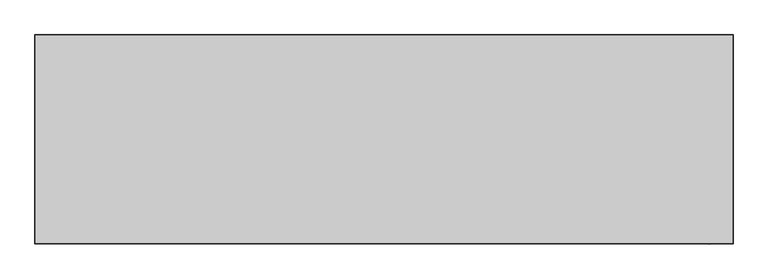
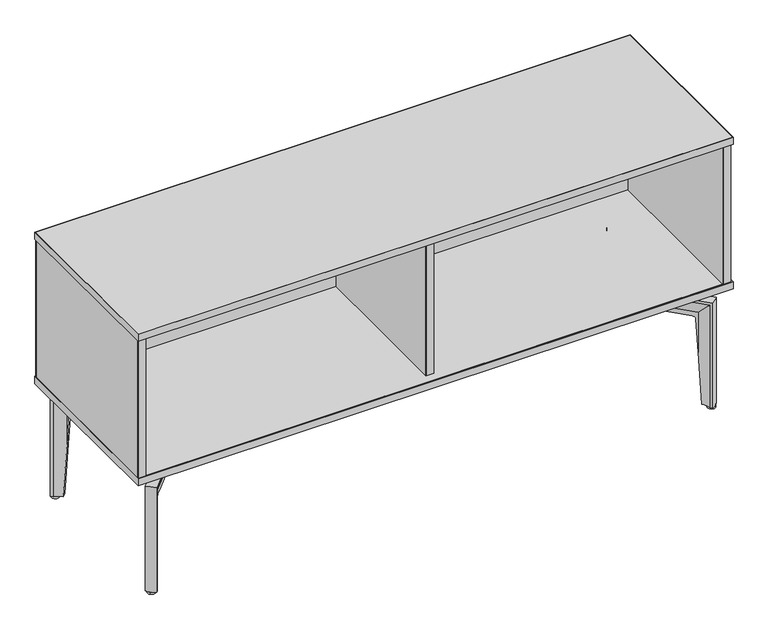
"""IFC4 building model written with IfcOpenShell, lengths in millimetres: furniture geometry."""

from ifc_helpers import new_model, si_unit, point, frame, frame_2d, origin, origin_with_axes, place, context, project, spatial, polyline, circle_curve, ellipse_curve, trimmed, segment, composite_curve, outline, extrude, source, transform, mapped, element, save
from ifc_brep_helpers import plane_surface, cylinder_surface, revolved_surface, advanced_brep


def furniture_c46c59dd(model_context):
    return source(origin(), model_context, "Body", "SolidModel", [
        extrude(outline(polyline([(330.3398292, -9.144), (481.1080955, -9.144), (548.5342876, -741.2998679), (330.3398292, -741.2998679), (330.3398292, -9.144)])), frame((0.0, 196.2456986, 0.0), z_axis=(0.0, 1.0, 0.0), x_axis=(0.0, 0.0, 1.0)), (0.0, 0.0, 1.0), 5.5970234),
        extrude(outline(polyline([(330.3398292, 9.398), (330.3398292, 737.616), (549.1616263, 737.616), (482.098083, 9.398), (330.3398292, 9.398)])), frame((0.0, 196.2456986, 0.0), z_axis=(0.0, 1.0, 0.0), x_axis=(0.0, 0.0, 1.0)), (0.0, 0.0, 1.0), 5.5970234),
        advanced_brep(
        [(555.5054764, -28.1021782, 289.6785635), (555.5054764, -28.1021782, 283.3285635), (550.1618451, -33.1568653, 253.1125717), (550.1618451, -33.1568653, 240.9225725), (543.0228204, -39.909864, 240.9225725), (543.0228204, -39.909864, 253.4109455), (537.0530074, -45.5568735, 284.0790905), (537.0530074, -45.5568735, 289.6785635), (710.2813744, -228.6876014, 289.6785635), (728.7338434, -211.2329061, 289.6785635), (706.4334573, -224.6197234, 284.0790905), (706.4334573, -224.6197234, 6.3562496), (710.2813744, -228.6876014, 6.3562496), (691.328344, -196.6930685, 253.4109455), (676.9014635, -181.4414953, 240.9225725), (676.9014635, -181.4414953, 241.3236963), (681.4424072, -186.2420158, 241.3236963), (687.4986681, -192.6444745, 233.0469295), (691.328344, -196.6930685, 144.3369902), (684.0404881, -174.6884965, 240.9225725), (698.2623283, -189.7233087, 253.1125717), (698.2623283, -189.7233087, 149.086507), (694.6376927, -185.8914758, 233.0469295), (688.5814318, -179.4890171, 241.3236963), (684.0404881, -174.6884965, 241.3236963), (724.3701696, -206.6197889, 283.3285635), (728.7338434, -211.2329061, 6.3562496), (724.3701696, -206.6197889, 6.3562496), (696.9797212, -203.2791564, 6.3562496), (705.0224989, -195.6712729, 6.3562496)],
        [
            (0, 1),
            (1, 2, circle_curve(frame((605.1959857, 18.9014344, 250.6746121), z_axis=(0.6871927300424193, -0.7264751556501067, 0.0), x_axis=(0.0, 0.0, -1.0)), 75.7942403)),
            (2, 3),
            (3, 4),
            (4, 5),
            (5, 6, circle_curve(frame((502.9988711, -77.769613, 255.0837365), z_axis=(0.6871927300424193, -0.7264751556501067, 0.0), x_axis=(0.0, 0.0, -1.0)), 55.1187386)),
            (6, 7),
            (7, 0, circle_curve(frame((546.2792419, -36.8295258, 254.503341), z_axis=(-0.6871927300424193, 0.7264751556501067, 0.0), x_axis=(0.0, 0.0, -1.0)), 37.3976775)),
            (7, 8),
            (8, 9, ellipse_curve(frame((695.3354517, -194.4063285, 254.503341), z_axis=(-0.48591863939508295, 0.5136955089237483, 0.7071067811865492), x_axis=(-0.4859186393950995, 0.5136955089237378, -0.7071067811865457)), 52.8883027, 37.3976775)),
            (9, 0),
            (6, 10),
            (10, 11),
            (11, 12),
            (12, 8),
            (5, 13),
            (13, 10, ellipse_curve(frame((652.4539245, -235.7680586, 255.0837365), z_axis=(0.48591863939508295, -0.5136955089237483, -0.7071067811865492), x_axis=(0.4859186393950995, -0.5136955089237378, 0.7071067811865457)), 77.9496676, 55.1187386)),
            (4, 14),
            (14, 15),
            (15, 16),
            (16, 17, circle_curve(frame((681.4424072, -186.2420158, 232.493277), z_axis=(0.7264751556501068, 0.6871927300424192, 0.0), x_axis=(-0.6871927300424193, 0.7264751556501069, 0.0)), 8.8304193)),
            (17, 18),
            (18, 13),
            (3, 19),
            (19, 14),
            (2, 20),
            (20, 21),
            (21, 22),
            (22, 23, circle_curve(frame((688.5814318, -179.4890171, 232.493277), z_axis=(-0.7264751556501068, -0.6871927300424192, 0.0), x_axis=(-0.6871927300424193, 0.7264751556501069, 0.0)), 8.8304193)),
            (23, 24),
            (24, 19),
            (1, 25),
            (25, 20, ellipse_curve(frame((751.6211209, -135.8938918, 250.6746121), z_axis=(0.48591863939508295, -0.5136955089237483, -0.7071067811865492), x_axis=(0.4859186393950995, -0.5136955089237378, 0.7071067811865457)), 107.1892425, 75.7942403)),
            (9, 26),
            (26, 27),
            (27, 25),
            (11, 28, circle_curve(frame((652.4539245, -235.7680586, 6.3562496), z_axis=(0.0, 0.0, 1.0), x_axis=(-0.6871927300424193, 0.7264751556501067, 0.0)), 55.1187386)),
            (28, 29),
            (29, 27, circle_curve(frame((751.6211209, -135.8938918, 6.3562496), z_axis=(0.0, 0.0, 1.0), x_axis=(-0.6871927300424193, 0.7264751556501067, 0.0)), 75.7942403)),
            (26, 12, circle_curve(frame((695.3354517, -194.4063285, 6.3562496), z_axis=(0.0, 0.0, -1.0), x_axis=(-0.6871927300424193, 0.7264751556501067, 0.0)), 37.3976775)),
            (18, 28, ellipse_curve(frame((652.4539245, -235.7680586, 117.7094839), z_axis=(-0.6858406956061548, 0.7250458340281075, -0.06269831583824162), x_axis=(0.0430858268299333, -0.045548768757595434, -0.9980325251168162)), 879.1103529, 55.1187386)),
            (29, 21, ellipse_curve(frame((751.6211209, -135.8938918, 187.8939772), z_axis=(-0.6858406956061548, 0.7250458340281075, -0.06269831583824162), x_axis=(0.0430858268299333, -0.045548768757595434, -0.9980325251168162)), 1208.8720287, 75.7942403)),
            (24, 15),
            (23, 16),
            (17, 22),
        ],
        [
            plane_surface(frame((546.6180744, -36.509015, 241.3236963), z_axis=(-0.6871927300424193, 0.7264751556501067, 0.0), x_axis=(0.7264751556501067, 0.6871927300424193, 0.0))),
            cylinder_surface(frame((546.2792419, -36.8295258, 254.503341), z_axis=(-0.6871927300424194, 0.7264751556501068, 0.0), x_axis=(0.0, 0.0, -1.0)), 37.3976775),
            plane_surface(frame((537.0530074, -45.5568735, 284.0790905), z_axis=(-0.7264751556501069, -0.6871927300424192, 0.0), x_axis=(0.6871927300424192, -0.7264751556501069, 0.0))),
            revolved_surface(polyline([(690.3311209163066, -275.8104527731235, 199.9649979), (502.9988710580107, -77.7696129556105, 199.9649979)]), (502.9988711, -77.769613, 255.0837365), (0.6871927300424194, -0.7264751556501068, 0.0)),
            plane_surface(frame((543.0228204, -39.909864, 240.9225725), z_axis=(-0.726475155650107, -0.6871927300424191, 0.0), x_axis=(0.6871927300424191, -0.726475155650107, 0.0))),
            plane_surface(frame((550.1618451, -33.1568653, 240.9225725), z_axis=(0.0, 0.0, -1.0), x_axis=(0.6871927300424192, -0.7264751556501068, 0.0))),
            plane_surface(frame((550.1618451, -33.1568653, 253.1125717), z_axis=(0.7264751556501066, 0.6871927300424195, 0.0), x_axis=(0.6871927300424195, -0.7264751556501066, 0.0))),
            revolved_surface(polyline([(803.706371717944, -190.95652432963692, 174.88037179999998), (605.1959857, 18.9014344, 174.88037179999998)]), (605.1959857, 18.9014344, 250.6746121), (0.6871927300424194, -0.7264751556501068, 0.0)),
            plane_surface(frame((555.5054764, -28.1021782, 289.6785635), z_axis=(0.726475155650107, 0.6871927300424191, 0.0), x_axis=(0.6871927300424191, -0.726475155650107, 0.0))),
            plane_surface(frame((686.6173282, -184.5111332, 6.3562496), z_axis=(0.0, 0.0, -1.0000000000000002), x_axis=(0.7264751556501068, 0.6871927300424193, 0.0))),
            cylinder_surface(frame((695.3354517, -194.4063285, 241.3236963), z_axis=(0.0, 0.0, 0.9999999999999999), x_axis=(-0.6871927300424193, 0.7264751556501067, 0.0)), 37.3976775),
            revolved_surface(polyline([(614.5767280449714, -195.72566439632743, -759.671241461122), (614.5767280449714, -195.72566439632743, 995.0902092611223)]), (652.4539245, -235.7680586, 241.3236963), (0.0, 0.0, -0.9999999999999999)),
            revolved_surface(polyline([(699.5358699867519, -80.83125928067591, -1018.5996261465491), (699.5358699867519, -80.83125928067591, 1394.3875805465489)]), (751.6211209, -135.8938918, 241.3236963), (0.0, 0.0, -0.9999999999999999)),
            plane_surface(frame((459.06709, -387.4969903, 241.3236963), z_axis=(0.6871927300424192, -0.7264751556501068, 0.0), x_axis=(0.7264751556501068, 0.6871927300424192, 0.0))),
            plane_surface(frame((463.6080337, -392.2975108, 241.3236963), z_axis=(0.0, 0.0, -1.0000000000000002), x_axis=(0.7264751556501069, 0.6871927300424191, 0.0))),
            plane_surface(frame((480.794127, -410.4660235, -24.7625535), z_axis=(-0.6858406956061548, 0.7250458340281075, -0.06269831583824162), x_axis=(0.7264751556501068, 0.6871927300424192, 0.0))),
            revolved_surface(polyline([(675.3742072634573, -179.8269355747717, 232.493277), (682.5132318526814, -173.07393685326872, 232.493277)]), (843.4060983, -33.0361282, 232.493277), (-0.7264751556501069, -0.6871927300424193, 0.0)),
        ],
        [
            (0, [[1, 2, 3, 4, 5, 6, 7, 8]]),
            (1, [[-8, 9, 10, 11]]),
            (2, [[-7, 12, 13, 14, 15, -9]]),
            (3, [[-6, 16, 17, -12]]),
            (4, [[-5, 18, 19, 20, 21, 22, 23, -16]]),
            (5, [[-4, 24, 25, -18]]),
            (6, [[-3, 26, 27, 28, 29, 30, 31, -24]]),
            (7, [[-2, 32, 33, -26]]),
            (8, [[-1, -11, 34, 35, 36, -32]]),
            (9, [[-14, 37, 38, 39, -35, 40]]),
            (10, [[-10, -15, -40, -34]]),
            (11, [[-13, -17, -23, 41, -37]]),
            (12, [[-33, -36, -39, 42, -27]]),
            (13, [[43, -19, -25, -31]]),
            (14, [[-43, -30, 44, -20]]),
            (15, [[45, -28, -42, -38, -41, -22]]),
            (16, [[-44, -29, -45, -21]]),
        ],
    ),
        extrude(outline(composite_curve([segment(polyline([(4.5840778, 0.0), (4.5840778, -44.6457894)]), True, "CONTINUOUS"), segment(trimmed(circle_curve(frame_2d((12.9012907, -44.6457894)), 8.3172129), [point((4.5840778, -44.6457894))], [point((12.9012907, -52.9630023))], True, "CARTESIAN"), True, "CONTINUOUS"), segment(polyline([(12.9012907, -52.9630023), (42.0337655, -52.9630023)]), True, "CONTINUOUS"), segment(trimmed(circle_curve(frame_2d((42.0337655, -44.9488052)), 8.0141971), [point((42.0337655, -52.9630023))], [point((50.0479626, -44.9488052))], True, "CARTESIAN"), True, "CONTINUOUS"), segment(polyline([(50.0479626, -44.9488052), (50.0479626, 0.2920503), (57.3277972, 0.2920503), (57.3277972, -45.579461)]), True, "CONTINUOUS"), segment(trimmed(circle_curve(frame_2d((44.6277972, -45.579461)), 12.7), [point((57.3277972, -45.579461))], [point((44.6277972, -58.279461))], False, "CARTESIAN"), True, "CONTINUOUS"), segment(polyline([(44.6277972, -58.279461), (9.6882895, -58.279461)]), True, "CONTINUOUS"), segment(trimmed(circle_curve(frame_2d((9.6882895, -48.5911714)), 9.6882895), [point((9.6882895, -58.279461))], [point((0.0, -48.5911714))], False, "CARTESIAN"), True, "CONTINUOUS"), segment(polyline([(0.0, -48.5911714), (0.0, 0.0), (4.5840778, 0.0)]), True, "CONTINUOUS")], self_intersect=False)), frame((500.2529225, -9.2745993, 291.9003697), z_axis=(0.7264751556501202, 0.6871927300424051, 0.0), x_axis=(0.0, 0.0, -1.0)), (0.0, 0.0, 1.0), 28.0975143),
        extrude(outline(composite_curve([segment(polyline([(619.1341848, -98.6051615), (643.1823717, -126.494752)]), True, "CONTINUOUS"), segment(trimmed(circle_curve(frame_2d((635.994107, -131.6733748)), 8.8594178), [point((643.1823717, -126.494752))], [point((629.8143067, -138.0215518))], False, "CARTESIAN"), True, "CONTINUOUS"), segment(polyline([(629.8143067, -138.0215518), (604.1063051, -112.9954194)]), True, "CONTINUOUS"), segment(trimmed(circle_curve(frame_2d((611.2446339, -105.4080364)), 10.4174911), [point((604.1063051, -112.9954194))], [point((619.1341848, -98.6051615))], False, "CARTESIAN"), True, "CONTINUOUS")], self_intersect=False)), frame((0.0, 0.0, 287.3162919), z_axis=(0.0, 0.0, 1.0), x_axis=(1.0, 0.0, 0.0)), (0.0, 0.0, 1.0), 14.2341844),
        extrude(outline(composite_curve([segment(trimmed(circle_curve(frame_2d((715.0885014, -213.5859112)), 9.8672738), [point((722.8121081, -219.7266758))], [point((707.3648946, -207.4451465))], False, "CARTESIAN"), True, "CONTINUOUS"), segment(trimmed(circle_curve(frame_2d((715.0885014, -213.5859112)), 9.8672738), [point((707.3648946, -207.4451465))], [point((722.8121081, -219.7266758))], False, "CARTESIAN"), True, "CONTINUOUS")], self_intersect=False)), origin_with_axes(), (0.0, 0.0, 1.0), 6.6101858),
        advanced_brep(
        [(555.86769, 27.9858729, 289.6785635), (537.4128499, 45.4380613, 289.6785635), (537.4128499, 45.4380613, 284.0790905), (543.38343, 39.7918629, 253.4109455), (543.38343, 39.7918629, 240.9225725), (550.523372, 33.0398341, 240.9225725), (550.523372, 33.0398341, 253.1125717), (555.86769, 27.9858729, 283.3285635), (729.0711768, 211.1401325, 289.6785635), (710.6163367, 228.5923209, 289.6785635), (710.6163367, 228.5923209, 6.3562496), (706.7689722, 224.5239201, 6.3562496), (706.7689722, 224.5239201, 284.0790905), (691.667653, 196.5952135, 253.4109455), (691.667653, 196.5952135, 144.3369902), (687.8385271, 192.5460992, 233.0469295), (681.7831361, 186.1428178, 241.3236963), (677.2428446, 181.3416805, 241.3236963), (677.2428446, 181.3416805, 240.9225725), (684.3827865, 174.5896516, 240.9225725), (684.3827865, 174.5896516, 241.3236963), (688.923078, 179.390789, 241.3236963), (694.9784691, 185.7940704, 233.0469295), (698.6025841, 189.6263957, 149.086507), (698.6025841, 189.6263957, 253.1125717), (724.7081297, 206.5264225, 283.3285635), (724.7081297, 206.5264225, 6.3562496), (729.0711768, 211.1401325, 6.3562496), (705.3619465, 195.5752782, 6.3562496), (697.3181354, 203.182069, 6.3562496)],
        [
            (0, 1, circle_curve(frame((546.6402699, 36.7119671, 254.503341), z_axis=(-0.6870940309082151, -0.7265685051599065, 0.0), x_axis=(0.0, 0.0, -1.0)), 37.3976775)),
            (1, 2),
            (2, 3, circle_curve(frame((503.3543377, 77.6461742, 255.0837365), z_axis=(0.6870940309082151, 0.7265685051599065, 0.0), x_axis=(0.0, 0.0, -1.0)), 55.1187386)),
            (3, 4),
            (4, 5),
            (5, 6),
            (6, 7, circle_curve(frame((605.5645844, -19.0109887, 250.6746121), z_axis=(0.6870940309082151, 0.7265685051599065, 0.0), x_axis=(0.0, 0.0, -1.0)), 75.7942403)),
            (7, 0),
            (0, 8),
            (8, 9, ellipse_curve(frame((695.6750713, 194.3090178, 254.503341), z_axis=(-0.4858488485679899, -0.513761516995148, 0.7071067811865492), x_axis=(-0.48584884856800636, -0.5137615169951377, -0.7071067811865456)), 52.8883027, 37.3976775)),
            (9, 1),
            (9, 10),
            (10, 11),
            (11, 12),
            (12, 2),
            (12, 13, ellipse_curve(frame((652.7879254, 235.664922, 255.0837365), z_axis=(0.4858488485679899, 0.513761516995148, -0.7071067811865492), x_axis=(0.48584884856800636, 0.5137615169951377, 0.7071067811865456)), 77.9496676, 55.1187386)),
            (13, 3),
            (13, 14),
            (14, 15),
            (15, 16, circle_curve(frame((681.7831361, 186.1428178, 232.493277), z_axis=(0.7265685051599066, -0.687094030908215, 0.0), x_axis=(-0.687094030908215, -0.7265685051599066, 0.0)), 8.8304193)),
            (16, 17),
            (17, 18),
            (18, 4),
            (18, 19),
            (19, 5),
            (19, 20),
            (20, 21),
            (21, 22, circle_curve(frame((688.923078, 179.390789, 232.493277), z_axis=(-0.7265685051599066, 0.687094030908215, 0.0), x_axis=(-0.687094030908215, -0.7265685051599066, 0.0)), 8.8304193)),
            (22, 23),
            (23, 24),
            (24, 6),
            (24, 25, ellipse_curve(frame((751.968689, 135.8042282, 250.6746121), z_axis=(0.4858488485679899, 0.513761516995148, -0.7071067811865492), x_axis=(0.48584884856800636, 0.5137615169951377, 0.7071067811865456)), 107.1892425, 75.7942403)),
            (25, 7),
            (25, 26),
            (26, 27),
            (27, 8),
            (10, 27, circle_curve(frame((695.6750713, 194.3090178, 6.3562496), z_axis=(0.0, 0.0, -1.0), x_axis=(-0.687094030908215, -0.7265685051599063, 0.0)), 37.3976775)),
            (26, 28, circle_curve(frame((751.968689, 135.8042282, 6.3562496), z_axis=(0.0, 0.0, 1.0), x_axis=(-0.687094030908215, -0.7265685051599063, 0.0)), 75.7942403)),
            (28, 29),
            (29, 11, circle_curve(frame((652.7879254, 235.664922, 6.3562496), z_axis=(0.0, 0.0, 1.0), x_axis=(-0.687094030908215, -0.7265685051599063, 0.0)), 55.1187386)),
            (29, 14, ellipse_curve(frame((652.7879254, 235.664922, 117.7094839), z_axis=(-0.6857421906600181, -0.7251389998750913, -0.06269831583824162), x_axis=(0.04307963856044399, 0.0455546216146442, -0.9980325251168162)), 879.1103529, 55.1187386)),
            (23, 28, ellipse_curve(frame((751.968689, 135.8042282, 187.8939772), z_axis=(-0.6857421906600181, -0.7251389998750913, -0.06269831583824162), x_axis=(0.04307963856044399, 0.0455546216146442, -0.9980325251168162)), 1208.8720287, 75.7942403)),
            (17, 20),
            (16, 21),
            (22, 15),
        ],
        [
            plane_surface(frame((546.9791459, 36.3915023, 241.3236963), z_axis=(-0.6870940309082151, -0.7265685051599065, 0.0), x_axis=(0.7265685051599065, -0.6870940309082151, 0.0))),
            cylinder_surface(frame((546.6402699, 36.7119671, 254.503341), z_axis=(-0.6870940309082151, -0.7265685051599065, 0.0), x_axis=(0.0, 0.0, -1.0)), 37.3976775),
            plane_surface(frame((537.4128499, 45.4380613, 284.0790905), z_axis=(-0.7265685051599066, 0.687094030908215, 0.0), x_axis=(0.687094030908215, 0.7265685051599066, 0.0))),
            revolved_surface(polyline([(690.6596816127358, 275.7124615104164, 199.9649979), (503.3543376934452, 77.64617419306862, 199.9649979)]), (503.3543377, 77.6461742, 255.0837365), (0.6870940309082151, 0.7265685051599065, 0.0)),
            plane_surface(frame((543.38343, 39.7918629, 240.9225725), z_axis=(-0.7265685051599067, 0.6870940309082147, 0.0), x_axis=(0.6870940309082147, 0.7265685051599067, 0.0))),
            plane_surface(frame((550.523372, 33.0398341, 240.9225725), z_axis=(0.0, 0.0, -1.0000000000000002), x_axis=(0.687094030908215, 0.7265685051599066, 0.0))),
            plane_surface(frame((550.523372, 33.0398341, 253.1125717), z_axis=(0.7265685051599063, -0.6870940309082152, 0.0), x_axis=(0.6870940309082152, 0.7265685051599063, 0.0))),
            revolved_surface(polyline([(804.046459045506, 190.8739360342472, 174.88037179999998), (605.5645843883216, -19.01098871234936, 174.88037179999998)]), (605.5645844, -19.0109887, 250.6746121), (0.6870940309082151, 0.7265685051599065, 0.0)),
            plane_surface(frame((555.86769, 27.9858729, 289.6785635), z_axis=(0.7265685051599067, -0.6870940309082147, 0.0), x_axis=(0.6870940309082147, 0.7265685051599067, 0.0))),
            plane_surface(frame((686.9582921, 184.4126383, 6.3562496), z_axis=(0.0, 0.0, -1.0), x_axis=(0.7265685051599065, -0.687094030908215, 0.0))),
            cylinder_surface(frame((695.6750713, 194.3090178, 241.3236963), z_axis=(0.0, 0.0, 0.9999999999999999), x_axis=(-0.687094030908215, -0.7265685051599063, 0.0)), 37.3976775),
            revolved_surface(polyline([(614.9161691167498, 195.61738248909836, -759.671241461122), (614.9161691167498, 195.61738248909836, 995.0902092611223)]), (652.7879254, 235.664922, 241.3236963), (0.0, 0.0, -0.9999999999999999)),
            revolved_surface(polyline([(699.8909189126472, 80.73452032549828, -1018.5996261465491), (699.8909189126472, 80.73452032549828, 1394.3875805465489)]), (751.968689, 135.8042282, 241.3236963), (0.0, 0.0, -0.9999999999999999)),
            plane_surface(frame((459.3804801, 387.3675805, 241.3236963), z_axis=(0.687094030908215, 0.7265685051599066, 0.0), x_axis=(0.7265685051599066, -0.687094030908215, 0.0))),
            plane_surface(frame((463.9207716, 392.1687178, 241.3236963), z_axis=(0.0, 0.0, -1.0), x_axis=(0.7265685051599066, -0.6870940309082149, 0.0))),
            plane_surface(frame((481.1043965, 410.3395651, -24.7625535), z_axis=(-0.6857421906600181, -0.7251389998750913, -0.06269831583824162), x_axis=(0.7265685051599066, -0.687094030908215, 0.0))),
            revolved_surface(polyline([(675.7158076862299, 179.7269132855288, 232.493277), (682.8557496469156, 172.97488444395583, 232.493277)]), (843.767639, 32.9589346, 232.493277), (-0.7265685051599066, 0.687094030908215, 0.0)),
        ],
        [
            (0, [[1, 2, 3, 4, 5, 6, 7, 8]]),
            (1, [[9, 10, 11, -1]]),
            (2, [[-11, 12, 13, 14, 15, -2]]),
            (3, [[-15, 16, 17, -3]]),
            (4, [[-17, 18, 19, 20, 21, 22, 23, -4]]),
            (5, [[-23, 24, 25, -5]]),
            (6, [[-25, 26, 27, 28, 29, 30, 31, -6]]),
            (7, [[-31, 32, 33, -7]]),
            (8, [[-33, 34, 35, 36, -9, -8]]),
            (9, [[37, -35, 38, 39, 40, -13]]),
            (10, [[-36, -37, -12, -10]]),
            (11, [[-40, 41, -18, -16, -14]]),
            (12, [[-30, 42, -38, -34, -32]]),
            (13, [[-26, -24, -22, 43]]),
            (14, [[-21, 44, -27, -43]]),
            (15, [[-19, -41, -39, -42, -29, 45]]),
            (16, [[-20, -45, -28, -44]]),
        ],
    ),
        extrude(outline(composite_curve([segment(polyline([(-4.5840778, 0.0), (-4.5840778, 44.6457894)]), True, "CONTINUOUS"), segment(trimmed(circle_curve(frame_2d((-12.9012907, 44.6457894)), 8.3172129), [point((-4.5840778, 44.6457894))], [point((-12.9012907, 52.9630023))], True, "CARTESIAN"), True, "CONTINUOUS"), segment(polyline([(-12.9012907, 52.9630023), (-42.0337655, 52.9630023)]), True, "CONTINUOUS"), segment(trimmed(circle_curve(frame_2d((-42.0337655, 44.9488052)), 8.0141971), [point((-42.0337655, 52.9630023))], [point((-50.0479626, 44.9488052))], True, "CARTESIAN"), True, "CONTINUOUS"), segment(polyline([(-50.0479626, 44.9488052), (-50.0479626, -0.2920504), (-57.3277972, -0.2920504), (-57.3277972, 45.5794611)]), True, "CONTINUOUS"), segment(trimmed(circle_curve(frame_2d((-44.6277972, 45.5794611)), 12.7), [point((-57.3277972, 45.5794611))], [point((-44.6277972, 58.279461))], False, "CARTESIAN"), True, "CONTINUOUS"), segment(polyline([(-44.6277972, 58.279461), (-9.6882895, 58.279461)]), True, "CONTINUOUS"), segment(trimmed(circle_curve(frame_2d((-9.6882895, 48.5911715)), 9.6882895), [point((-9.6882895, 58.279461))], [point((0.0, 48.5911715))], False, "CARTESIAN"), True, "CONTINUOUS"), segment(polyline([(0.0, 48.5911715), (0.0, 0.0), (-4.5840778, 0.0)]), True, "CONTINUOUS")], self_intersect=False)), frame((521.0324633, -10.1548463, 291.9003697), z_axis=(-0.72656850515992, 0.6870940309082008, 0.0), x_axis=(0.0, 0.0, 1.0)), (0.0, 0.0, 1.0), 28.0975143),
        extrude(outline(composite_curve([segment(trimmed(circle_curve(frame_2d((611.5963448, 105.2993027)), 10.4174911), [point((619.4868198, 98.4974996))], [point((604.4569853, 112.8857159))], False, "CARTESIAN"), True, "CONTINUOUS"), segment(polyline([(604.4569853, 112.8857159), (630.1615868, 137.9153405)]), True, "CONTINUOUS"), segment(trimmed(circle_curve(frame_2d((636.3422495, 131.5680031)), 8.8594178), [point((630.1615868, 137.9153405))], [point((643.5312177, 126.3903569))], False, "CARTESIAN"), True, "CONTINUOUS"), segment(polyline([(643.5312177, 126.3903569), (619.4868198, 98.4974996)]), True, "CONTINUOUS")], self_intersect=False)), frame((0.0, 0.0, 287.3162919), z_axis=(0.0, 0.0, 1.0), x_axis=(1.0, 0.0, 0.0)), (0.0, 0.0, 1.0), 14.2341844),
        extrude(outline(composite_curve([segment(trimmed(circle_curve(frame_2d((715.4255152, 213.4912838)), 9.8672738), [point((723.1482877, 219.6330977))], [point((707.7027427, 207.3494699))], False, "CARTESIAN"), True, "CONTINUOUS"), segment(trimmed(circle_curve(frame_2d((715.4255152, 213.4912838)), 9.8672738), [point((707.7027427, 207.3494699))], [point((723.1482877, 219.6330977))], False, "CARTESIAN"), True, "CONTINUOUS")], self_intersect=False)), origin_with_axes(), (0.0, 0.0, 1.0), 6.6101858),
        advanced_brep(
        [(-559.1086904, -28.5240498, 289.6785635), (-540.7145951, -46.0402497, 289.6785635), (-540.7145951, -46.0402497, 284.0790905), (-546.6655228, -40.373342, 253.4109455), (-546.6655228, -40.373342, 240.9225725), (-553.7819634, -33.596548, 240.9225725), (-553.7819634, -33.596548, 253.1125717), (-559.1086904, -28.5240498, 283.3285635), (-732.9474564, -211.075451, 289.6785635), (-714.553361, -228.5916509, 289.6785635), (-714.553361, -228.5916509, 6.3562496), (-710.6918851, -224.5366414, 6.3562496), (-710.6918851, -224.5366414, 284.0790905), (-695.4936256, -196.6605691, 253.4109455), (-695.4936256, -196.6605691, 144.3369902), (-691.6504552, -192.6247827, 233.0469295), (-685.5728541, -186.2425779, 241.3236963), (-681.0159096, -181.4572437, 241.3236963), (-681.0159096, -181.4572437, 240.9225725), (-688.1323502, -174.6804496, 240.9225725), (-688.1323502, -174.6804496, 241.3236963), (-692.6892947, -179.4657838, 241.3236963), (-698.7668958, -185.8479886, 233.0469295), (-702.4043034, -189.6676997, 149.086507), (-702.4043034, -189.6676997, 253.1125717), (-728.5684064, -206.4769272, 283.3285635), (-728.5684064, -206.4769272, 6.3562496), (-732.9474564, -211.075451, 6.3562496), (-709.184293, -195.5930626, 6.3562496), (-701.1669583, -203.2277537, 6.3562496)],
        [
            (0, 1, circle_curve(frame((-549.9116427, -37.2821498, 254.503341), z_axis=(0.6896141680053214, 0.7241769806382474, 0.0), x_axis=(0.0, 0.0, -1.0)), 37.3976775)),
            (1, 2),
            (2, 3, circle_curve(frame((-506.7681876, -78.3664961, 255.0837365), z_axis=(-0.6896141680053214, -0.7241769806382474, 0.0), x_axis=(0.0, 0.0, -1.0)), 55.1187386)),
            (3, 4),
            (4, 5),
            (5, 6),
            (6, 7, circle_curve(frame((-608.6420058, 18.6451878, 250.6746121), z_axis=(-0.6896141680053214, -0.7241769806382474, 0.0), x_axis=(0.0, 0.0, -1.0)), 75.7942403)),
            (7, 0),
            (0, 8),
            (8, 9, ellipse_curve(frame((-699.4930769, -194.3604645, 254.503341), z_axis=(0.4876308545988735, 0.5120704537885091, 0.7071067811865492), x_axis=(0.48763085459889, 0.5120704537884986, -0.7071067811865456)), 52.8883027, 37.3976775)),
            (9, 1),
            (9, 10),
            (10, 11),
            (11, 12),
            (12, 2),
            (12, 13, ellipse_curve(frame((-656.7498707, -235.8651199, 255.0837365), z_axis=(-0.4876308545988735, -0.5120704537885091, -0.7071067811865492), x_axis=(-0.48763085459889, -0.5120704537884986, 0.7071067811865456)), 77.9496676, 55.1187386)),
            (13, 3),
            (13, 14),
            (14, 15),
            (15, 16, circle_curve(frame((-685.5728541, -186.2425779, 232.493277), z_axis=(-0.7241769806382474, 0.6896141680053212, 0.0), x_axis=(0.6896141680053212, 0.7241769806382474, 0.0)), 8.8304193)),
            (16, 17),
            (17, 18),
            (18, 4),
            (18, 19),
            (19, 5),
            (19, 20),
            (20, 21),
            (21, 22, circle_curve(frame((-692.6892947, -179.4657838, 232.493277), z_axis=(0.7241769806382474, -0.6896141680053212, 0.0), x_axis=(0.6896141680053212, 0.7241769806382474, 0.0)), 8.8304193)),
            (22, 23),
            (23, 24),
            (24, 6),
            (24, 25, ellipse_curve(frame((-755.5830943, -135.6604496, 250.6746121), z_axis=(-0.4876308545988735, -0.5120704537885091, -0.7071067811865492), x_axis=(-0.48763085459889, -0.5120704537884986, 0.7071067811865456)), 107.1892425, 75.7942403)),
            (25, 7),
            (25, 26),
            (26, 27),
            (27, 8),
            (10, 27, circle_curve(frame((-699.4930769, -194.3604645, 6.3562496), z_axis=(0.0, 0.0, -1.0), x_axis=(0.6896141680053212, 0.7241769806382472, 0.0)), 37.3976775)),
            (26, 28, circle_curve(frame((-755.5830943, -135.6604496, 6.3562496), z_axis=(0.0, 0.0, 1.0), x_axis=(0.6896141680053212, 0.7241769806382472, 0.0)), 75.7942403)),
            (28, 29),
            (29, 11, circle_curve(frame((-656.7498707, -235.8651199, 6.3562496), z_axis=(0.0, 0.0, 1.0), x_axis=(0.6896141680053212, 0.7241769806382472, 0.0)), 55.1187386)),
            (29, 14, ellipse_curve(frame((-656.7498707, -235.8651199, 117.7094839), z_axis=(0.6882573694506836, 0.7227521806178612, -0.06269831583824159), x_axis=(-0.04323764691211404, -0.045404677054850344, -0.9980325251168162)), 879.1103529, 55.1187386)),
            (23, 28, ellipse_curve(frame((-755.5830943, -135.6604496, 187.8939772), z_axis=(0.6882573694506836, 0.7227521806178612, -0.06269831583824159), x_axis=(-0.04323764691211404, -0.045404677054850344, -0.9980325251168162)), 1208.8720287, 75.7942403)),
            (17, 20),
            (16, 21),
            (22, 15),
        ],
        [
            plane_surface(frame((-550.2494033, -36.9605095, 241.3236963), z_axis=(0.6896141680053214, 0.7241769806382474, 0.0), x_axis=(-0.7241769806382474, 0.6896141680053214, 0.0))),
            cylinder_surface(frame((-549.9116427, -37.2821498, 254.503341), z_axis=(0.6896141680053213, 0.7241769806382473, 0.0), x_axis=(0.0, 0.0, -1.0)), 37.3976775),
            plane_surface(frame((-540.7145951, -46.0402497, 284.0790905), z_axis=(0.7241769806382475, -0.6896141680053212, 0.0), x_axis=(-0.6896141680053212, -0.7241769806382475, 0.0))),
            revolved_surface(polyline([(-694.7605337241698, -275.7808415637538, 199.9649979), (-506.7681875989764, -78.36649609892515, 199.9649979)]), (-506.7681876, -78.3664961, 255.0837365), (-0.6896141680053213, -0.7241769806382473, 0.0)),
            plane_surface(frame((-546.6655228, -40.373342, 240.9225725), z_axis=(0.7241769806382476, -0.6896141680053209, 0.0), x_axis=(-0.6896141680053209, -0.7241769806382476, 0.0))),
            plane_surface(frame((-553.7819634, -33.596548, 240.9225725), z_axis=(0.0, 0.0, -1.0), x_axis=(-0.6896141680053212, -0.7241769806382474, 0.0))),
            plane_surface(frame((-553.7819634, -33.596548, 253.1125717), z_axis=(-0.7241769806382473, 0.6896141680053215, 0.0), x_axis=(-0.6896141680053215, -0.7241769806382473, 0.0))),
            revolved_surface(polyline([(-807.8518761896867, -190.5488936809748, 174.88037179999998), (-608.6420057834906, 18.645187817336843, 174.88037179999998)]), (-608.6420058, 18.6451878, 250.6746121), (-0.6896141680053213, -0.7241769806382473, 0.0)),
            plane_surface(frame((-559.1086904, -28.5240498, 289.6785635), z_axis=(-0.7241769806382476, 0.6896141680053209, 0.0), x_axis=(-0.6896141680053209, -0.7241769806382476, 0.0))),
            plane_surface(frame((-690.7419678, -184.494429, 6.3562496), z_axis=(0.0, 0.0, -1.0), x_axis=(-0.7241769806382474, 0.6896141680053213, 0.0))),
            cylinder_surface(frame((-699.4930769, -194.3604645, 241.3236963), z_axis=(0.0, 0.0, 0.9999999999999999), x_axis=(0.6896141680053212, 0.7241769806382472, 0.0)), 37.3976775),
            revolved_surface(polyline([(-618.7392076388581, -195.9493982040632, -759.671241461122), (-618.7392076388581, -195.9493982040632, 995.0902092611223)]), (-656.7498707, -235.8651199, 241.3236963), (0.0, 0.0, -0.9999999999999999)),
            revolved_surface(polyline([(-703.3143123359201, -80.77200550977624, -1018.5996261465491), (-703.3143123359201, -80.77200550977624, 1394.3875805465489)]), (-755.5830943, -135.6604496, 241.3236963), (0.0, 0.0, -0.9999999999999999)),
            plane_surface(frame((-463.8706464, -388.2388095, 241.3236963), z_axis=(-0.6896141680053212, -0.7241769806382474, 0.0), x_axis=(-0.7241769806382474, 0.6896141680053212, 0.0))),
            plane_surface(frame((-468.4275908, -393.0241438, 241.3236963), z_axis=(0.0, 0.0, -1.0000000000000002), x_axis=(-0.7241769806382476, 0.6896141680053212, 0.0))),
            plane_surface(frame((-485.6742422, -411.1351811, -24.7625535), z_axis=(0.6882573694506836, 0.7227521806178612, -0.06269831583824159), x_axis=(-0.7241769806382474, 0.6896141680053212, 0.0))),
            revolved_surface(polyline([(-679.4832717664696, -179.84779149163813, 232.493277), (-686.5997124128426, -173.07099738368055, 232.493277)]), (-847.0241795, -32.4968438, 232.493277), (0.7241769806382474, -0.6896141680053212, 0.0)),
        ],
        [
            (0, [[1, 2, 3, 4, 5, 6, 7, 8]]),
            (1, [[9, 10, 11, -1]]),
            (2, [[-11, 12, 13, 14, 15, -2]]),
            (3, [[-15, 16, 17, -3]]),
            (4, [[-17, 18, 19, 20, 21, 22, 23, -4]]),
            (5, [[-23, 24, 25, -5]]),
            (6, [[-25, 26, 27, 28, 29, 30, 31, -6]]),
            (7, [[-31, 32, 33, -7]]),
            (8, [[-33, 34, 35, 36, -9, -8]]),
            (9, [[37, -35, 38, 39, 40, -13]]),
            (10, [[-36, -37, -12, -10]]),
            (11, [[-40, 41, -18, -16, -14]]),
            (12, [[-30, 42, -38, -34, -32]]),
            (13, [[-26, -24, -22, 43]]),
            (14, [[-21, 44, -27, -43]]),
            (15, [[-19, -41, -39, -42, -29, 45]]),
            (16, [[-20, -45, -28, -44]]),
        ],
    ),
        extrude(outline(composite_curve([segment(polyline([(4.5840778, 0.0), (0.0, 0.0), (0.0, 48.5911715)]), True, "CONTINUOUS"), segment(trimmed(circle_curve(frame_2d((9.6882895, 48.5911715)), 9.6882895), [point((0.0, 48.5911715))], [point((9.6882895, 58.2794611))], False, "CARTESIAN"), True, "CONTINUOUS"), segment(polyline([(9.6882895, 58.2794611), (44.6277972, 58.2794611)]), True, "CONTINUOUS"), segment(trimmed(circle_curve(frame_2d((44.6277972, 45.5794611)), 12.7), [point((44.6277972, 58.2794611))], [point((57.3277972, 45.5794611))], False, "CARTESIAN"), True, "CONTINUOUS"), segment(polyline([(57.3277972, 45.5794611), (57.3277972, -0.2920503), (50.0479626, -0.2920503), (50.0479626, 44.9488052)]), True, "CONTINUOUS"), segment(trimmed(circle_curve(frame_2d((42.0337655, 44.9488052)), 8.0141971), [point((50.0479626, 44.9488052))], [point((42.0337655, 52.9630024))], True, "CARTESIAN"), True, "CONTINUOUS"), segment(polyline([(42.0337655, 52.9630024), (12.9012907, 52.9630024)]), True, "CONTINUOUS"), segment(trimmed(circle_curve(frame_2d((12.9012907, 44.6457896)), 8.3172129), [point((12.9012907, 52.9630024))], [point((4.5840778, 44.6457896))], True, "CARTESIAN"), True, "CONTINUOUS"), segment(polyline([(4.5840778, 44.6457896), (4.5840778, 0.0)]), True, "CONTINUOUS")], self_intersect=False)), frame((-503.7935903, -9.8810311, 291.9003697), z_axis=(-0.724176980638261, 0.6896141680053071, 0.0), x_axis=(0.0, 0.0, -1.0)), (0.0, 0.0, 1.0), 28.0975143),
        extrude(outline(composite_curve([segment(trimmed(circle_curve(frame_2d((-615.1056154, -105.6433974)), 10.4174911), [point((-622.9724116, -98.8142219))], [point((-607.9926561, -113.2545688))], False, "CARTESIAN"), True, "CONTINUOUS"), segment(polyline([(-607.9926561, -113.2545688), (-633.7840618, -138.1947381)]), True, "CONTINUOUS"), segment(trimmed(circle_curve(frame_2d((-639.942635, -131.8259658)), 8.8594178), [point((-633.7840618, -138.1947381))], [point((-647.1135713, -126.6233745))], False, "CARTESIAN"), True, "CONTINUOUS"), segment(polyline([(-647.1135713, -126.6233745), (-622.9724116, -98.8142219)]), True, "CONTINUOUS")], self_intersect=False)), frame((0.0, 0.0, 287.3162919), z_axis=(0.0, 0.0, 1.0), x_axis=(1.0, 0.0, 0.0)), (0.0, 0.0, 1.0), 14.2341844),
        extrude(outline(composite_curve([segment(trimmed(circle_curve(frame_2d((-719.3100456, -213.4739967)), 9.8672738), [point((-727.0541097, -219.5889426))], [point((-711.5659815, -207.3590507))], False, "CARTESIAN"), True, "CONTINUOUS"), segment(trimmed(circle_curve(frame_2d((-719.3100456, -213.4739967)), 9.8672738), [point((-711.5659815, -207.3590507))], [point((-727.0541097, -219.5889426))], False, "CARTESIAN"), True, "CONTINUOUS")], self_intersect=False)), origin_with_axes(), (0.0, 0.0, 1.0), 6.6101858),
        advanced_brep(
        [(-558.7059091, 28.7100098, 289.6785635), (-558.7059091, 28.7100098, 283.3285635), (-553.3791875, 33.7825136, 253.1125717), (-553.3791875, 33.7825136, 240.9225725), (-546.2627541, 40.5593152, 240.9225725), (-546.2627541, 40.5593152, 253.4109455), (-540.3118324, 46.2262291, 284.0790905), (-540.3118324, 46.2262291, 289.6785635), (-714.1507915, 228.7774464, 289.6785635), (-732.5448683, 211.261227, 289.6785635), (-710.2893113, 224.722441, 284.0790905), (-710.2893113, 224.722441, 6.3562496), (-714.1507915, 228.7774464, 6.3562496), (-695.0910223, 196.8463848, 253.4109455), (-680.6132902, 181.6430746, 240.9225725), (-680.6132902, 181.6430746, 241.3236963), (-685.1702397, 186.4284041, 241.3236963), (-691.2478476, 192.8106024, 233.0469295), (-695.0910223, 196.8463848, 144.3369902), (-687.7297236, 174.866273, 240.9225725), (-702.0016927, 189.853508, 253.1125717), (-702.0016927, 189.853508, 149.086507), (-698.364281, 186.0338008, 233.0469295), (-692.2866732, 179.6516025, 241.3236963), (-687.7297236, 174.866273, 241.3236963), (-728.1658135, 206.6627078, 283.3285635), (-732.5448683, 211.261227, 6.3562496), (-728.1658135, 206.6627078, 6.3562496), (-700.764362, 203.4135634, 6.3562496), (-708.7816885, 195.7788637, 6.3562496)],
        [
            (0, 1),
            (1, 2, circle_curve(frame((-608.2391746, -18.4592803, 250.6746121), z_axis=(-0.6896149344184196, 0.7241762508029926, 0.0), x_axis=(0.0, 0.0, -1.0)), 75.7942403)),
            (2, 3),
            (3, 4),
            (4, 5),
            (5, 6, circle_curve(frame((-506.3654591, 78.5525115, 255.0837365), z_axis=(-0.6896149344184196, 0.7241762508029926, 0.0), x_axis=(0.0, 0.0, -1.0)), 55.1187386)),
            (6, 7),
            (7, 0, circle_curve(frame((-549.5088708, 37.4681195, 254.503341), z_axis=(0.6896149344184196, -0.7241762508029926, 0.0), x_axis=(0.0, 0.0, -1.0)), 37.3976775)),
            (7, 8),
            (8, 9, ellipse_curve(frame((-699.0904711, 194.5462759, 254.503341), z_axis=(0.48763139653477244, -0.5120699377170512, 0.7071067811865492), x_axis=(0.487631396534789, -0.5120699377170409, -0.7071067811865454)), 52.8883027, 37.3976775)),
            (9, 0),
            (6, 10),
            (10, 11),
            (11, 12),
            (12, 8),
            (5, 13),
            (13, 10, ellipse_curve(frame((-656.3473089, 236.0509766, 255.0837365), z_axis=(-0.48763139653477244, 0.5120699377170512, -0.7071067811865492), x_axis=(-0.487631396534789, 0.5120699377170409, 0.7071067811865454)), 77.9496676, 55.1187386)),
            (4, 14),
            (14, 15),
            (15, 16),
            (16, 17, circle_curve(frame((-685.1702397, 186.4284041, 232.493277), z_axis=(-0.7241762508029927, -0.6896149344184195, 0.0), x_axis=(0.6896149344184196, -0.7241762508029929, 0.0)), 8.8304193)),
            (17, 18),
            (18, 13),
            (3, 19),
            (19, 14),
            (2, 20),
            (20, 21),
            (21, 22),
            (22, 23, circle_curve(frame((-692.2866732, 179.6516025, 232.493277), z_axis=(0.7241762508029927, 0.6896149344184195, 0.0), x_axis=(0.6896149344184196, -0.7241762508029929, 0.0)), 8.8304193)),
            (23, 24),
            (24, 19),
            (1, 25),
            (25, 20, ellipse_curve(frame((-755.1804264, 135.8462017, 250.6746121), z_axis=(-0.48763139653477244, 0.5120699377170512, -0.7071067811865492), x_axis=(-0.487631396534789, 0.5120699377170409, 0.7071067811865454)), 107.1892425, 75.7942403)),
            (9, 26),
            (26, 27),
            (27, 25),
            (11, 28, circle_curve(frame((-656.3473089, 236.0509766, 6.3562496), z_axis=(0.0, 0.0, 1.0), x_axis=(0.6896149344184196, -0.7241762508029926, 0.0)), 55.1187386)),
            (28, 29),
            (29, 27, circle_curve(frame((-755.1804264, 135.8462017, 6.3562496), z_axis=(0.0, 0.0, 1.0), x_axis=(0.6896149344184196, -0.7241762508029926, 0.0)), 75.7942403)),
            (26, 12, circle_curve(frame((-699.0904711, 194.5462759, 6.3562496), z_axis=(0.0, 0.0, -1.0), x_axis=(0.6896149344184196, -0.7241762508029926, 0.0)), 37.3976775)),
            (18, 28, ellipse_curve(frame((-656.3473089, 236.0509766, 117.7094839), z_axis=(0.6882581343558833, -0.722751452218539, -0.06269831583824159), x_axis=(-0.04323769496492454, 0.04540463129540903, -0.9980325251168162)), 879.1103529, 55.1187386)),
            (29, 21, ellipse_curve(frame((-755.1804264, 135.8462017, 187.8939772), z_axis=(0.6882581343558833, -0.722751452218539, -0.06269831583824159), x_axis=(-0.04323769496492454, 0.04540463129540903, -0.9980325251168162)), 1208.8720287, 75.7942403)),
            (24, 15),
            (23, 16),
            (17, 22),
        ],
        [
            plane_surface(frame((-549.846631, 37.1464789, 241.3236963), z_axis=(0.6896149344184196, -0.7241762508029926, 0.0), x_axis=(-0.7241762508029926, -0.6896149344184196, 0.0))),
            cylinder_surface(frame((-549.5088708, 37.4681195, 254.503341), z_axis=(0.6896149344184197, -0.7241762508029927, 0.0), x_axis=(0.0, 0.0, -1.0)), 37.3976775),
            plane_surface(frame((-540.3118324, 46.2262291, 284.0790905), z_axis=(0.7241762508029929, 0.6896149344184195, 0.0), x_axis=(-0.6896149344184195, 0.7241762508029929, 0.0))),
            revolved_surface(polyline([(-694.3580141743072, 275.96665803004737, 199.9649979), (-506.3654591, 78.5525115, 199.9649979)]), (-506.3654591, 78.5525115, 255.0837365), (-0.6896149344184197, 0.7241762508029927, 0.0)),
            plane_surface(frame((-546.2627541, 40.5593152, 240.9225725), z_axis=(0.724176250802993, 0.6896149344184193, 0.0), x_axis=(-0.6896149344184193, 0.724176250802993, 0.0))),
            plane_surface(frame((-553.3791875, 33.7825136, 240.9225725), z_axis=(0.0, 0.0, -1.0), x_axis=(-0.6896149344184195, 0.7241762508029927, 0.0))),
            plane_surface(frame((-553.3791875, 33.7825136, 253.1125717), z_axis=(-0.7241762508029925, -0.6896149344184197, 0.0), x_axis=(-0.6896149344184197, 0.7241762508029925, 0.0))),
            revolved_surface(polyline([(-807.4492664376855, 190.7345904081483, 174.88037179999998), (-608.2391746, -18.459280300000003, 174.88037179999998)]), (-608.2391746, -18.4592803, 250.6746121), (-0.6896149344184197, 0.7241762508029927, 0.0)),
            plane_surface(frame((-558.7059091, 28.7100098, 289.6785635), z_axis=(-0.724176250802993, -0.6896149344184193, 0.0), x_axis=(-0.6896149344184193, 0.724176250802993, 0.0))),
            plane_surface(frame((-690.3393516, 184.6802497, 6.3562496), z_axis=(0.0, 0.0, -1.0000000000000002), x_axis=(-0.7241762508029927, -0.6896149344184196, 0.0))),
            cylinder_surface(frame((-699.0904711, 194.5462759, 241.3236963), z_axis=(0.0, 0.0, 0.9999999999999999), x_axis=(0.6896149344184196, -0.7241762508029926, 0.0)), 37.3976775),
            revolved_surface(polyline([(-618.336603595135, 196.13529513166182, -759.671241461122), (-618.336603595135, 196.13529513166182, 995.0902092611223)]), (-656.3473089, 236.0509766, 241.3236963), (0.0, 0.0, -0.9999999999999999)),
            revolved_surface(polyline([(-702.9115863462216, 80.9578129270849, -1018.5996261465491), (-702.9115863462216, 80.9578129270849, 1394.3875805465489)]), (-755.1804264, 135.8462017, 241.3236963), (0.0, 0.0, -0.9999999999999999)),
            plane_surface(frame((-463.4682458, 388.4248703, 241.3236963), z_axis=(-0.6896149344184195, 0.7241762508029927, 0.0), x_axis=(-0.7241762508029927, -0.6896149344184195, 0.0))),
            plane_surface(frame((-468.0251954, 393.2101997, 241.3236963), z_axis=(0.0, 0.0, -1.0), x_axis=(-0.7241762508029929, -0.6896149344184194, 0.0))),
            plane_surface(frame((-485.2718659, 411.3212188, -24.7625535), z_axis=(0.6882581343558833, -0.722751452218539, -0.06269831583824159), x_axis=(-0.7241762508029927, -0.6896149344184195, 0.0))),
            revolved_surface(polyline([(-679.0806506645, 180.03362414881116, 232.493277), (-686.1970841325902, 173.25682251530225, 232.493277)]), (-846.6214025, 32.6824991, 232.493277), (0.7241762508029929, 0.6896149344184196, 0.0)),
        ],
        [
            (0, [[1, 2, 3, 4, 5, 6, 7, 8]]),
            (1, [[-8, 9, 10, 11]]),
            (2, [[-7, 12, 13, 14, 15, -9]]),
            (3, [[-6, 16, 17, -12]]),
            (4, [[-5, 18, 19, 20, 21, 22, 23, -16]]),
            (5, [[-4, 24, 25, -18]]),
            (6, [[-3, 26, 27, 28, 29, 30, 31, -24]]),
            (7, [[-2, 32, 33, -26]]),
            (8, [[-1, -11, 34, 35, 36, -32]]),
            (9, [[-14, 37, 38, 39, -35, 40]]),
            (10, [[-10, -15, -40, -34]]),
            (11, [[-13, -17, -23, 41, -37]]),
            (12, [[-33, -36, -39, 42, -27]]),
            (13, [[43, -19, -25, -31]]),
            (14, [[-43, -30, 44, -20]]),
            (15, [[45, -28, -42, -38, -41, -22]]),
            (16, [[-44, -29, -45, -21]]),
        ],
    ),
        extrude(outline(composite_curve([segment(polyline([(-4.5840778, 0.0), (0.0, 0.0), (0.0, -48.5911715)]), True, "CONTINUOUS"), segment(trimmed(circle_curve(frame_2d((-9.6882895, -48.5911715)), 9.6882895), [point((0.0, -48.5911715))], [point((-9.6882895, -58.279461))], False, "CARTESIAN"), True, "CONTINUOUS"), segment(polyline([(-9.6882895, -58.279461), (-44.6277972, -58.279461)]), True, "CONTINUOUS"), segment(trimmed(circle_curve(frame_2d((-44.6277972, -45.579461)), 12.7), [point((-44.6277972, -58.279461))], [point((-57.3277972, -45.579461))], False, "CARTESIAN"), True, "CONTINUOUS"), segment(polyline([(-57.3277972, -45.579461), (-57.3277972, 0.2920503), (-50.0479626, 0.2920503), (-50.0479626, -44.9488053)]), True, "CONTINUOUS"), segment(trimmed(circle_curve(frame_2d((-42.0337655, -44.9488053)), 8.0141971), [point((-50.0479626, -44.9488053))], [point((-42.0337655, -52.9630024))], True, "CARTESIAN"), True, "CONTINUOUS"), segment(polyline([(-42.0337655, -52.9630024), (-12.9012907, -52.9630024)]), True, "CONTINUOUS"), segment(trimmed(circle_curve(frame_2d((-12.9012907, -44.6457894)), 8.3172129), [point((-12.9012907, -52.9630024))], [point((-4.5840778, -44.6457894))], True, "CARTESIAN"), True, "CONTINUOUS"), segment(polyline([(-4.5840778, -44.6457894), (-4.5840778, 0.0)]), True, "CONTINUOUS")], self_intersect=False)), frame((-523.7383419, -9.3094158, 291.9003697), z_axis=(0.7241762508030063, 0.6896149344184053, 0.0), x_axis=(0.0, 0.0, 1.0)), (0.0, 0.0, 1.0), 28.0975143),
        extrude(outline(composite_curve([segment(polyline([(-622.5697048, 99.0001143), (-646.7108938, 126.8092413)]), True, "CONTINUOUS"), segment(trimmed(circle_curve(frame_2d((-639.539963, 132.0118402)), 8.8594178), [point((-646.7108938, 126.8092413))], [point((-633.3813966, 138.380619))], False, "CARTESIAN"), True, "CONTINUOUS"), segment(polyline([(-633.3813966, 138.380619), (-607.5899646, 113.4404771)]), True, "CONTINUOUS"), segment(trimmed(circle_curve(frame_2d((-614.7029158, 105.8292982)), 10.4174911), [point((-607.5899646, 113.4404771))], [point((-622.5697048, 99.0001143))], False, "CARTESIAN"), True, "CONTINUOUS")], self_intersect=False)), frame((0.0, 0.0, 287.3162919), z_axis=(0.0, 0.0, 1.0), x_axis=(1.0, 0.0, 0.0)), (0.0, 0.0, 1.0), 14.2341844),
        extrude(outline(composite_curve([segment(trimmed(circle_curve(frame_2d((-718.9074601, 213.6597871)), 9.8672738), [point((-726.6515307, 219.7747248))], [point((-711.1633896, 207.5448494))], False, "CARTESIAN"), True, "CONTINUOUS"), segment(trimmed(circle_curve(frame_2d((-718.9074601, 213.6597871)), 9.8672738), [point((-711.1633896, 207.5448494))], [point((-726.6515307, 219.7747248))], False, "CARTESIAN"), True, "CONTINUOUS")], self_intersect=False)), origin_with_axes(), (0.0, 0.0, 1.0), 6.6101858),
        extrude(outline(polyline([(9.2718985, 203.6002178), (9.2718985, 202.609726), (-9.9170882, 202.609726), (-9.9170882, 203.6002178), (9.2718985, 203.6002178)])), frame((0.0, 0.0, 330.3398292), z_axis=(0.0, 0.0, 1.0), x_axis=(1.0, 0.0, 0.0)), (0.0, 0.0, 1.0), 371.817966),
        extrude(outline(polyline([(9.2718985, -203.6002178), (-9.9170882, -203.6002178), (-9.9170882, -202.609726), (9.2718985, -202.609726), (9.2718985, -203.6002178)])), frame((0.0, 0.0, 330.3398292), z_axis=(0.0, 0.0, 1.0), x_axis=(1.0, 0.0, 0.0)), (0.0, 0.0, 1.0), 371.817966),
        extrude(outline(polyline([(9.2718985, 202.609726), (9.2718985, -202.6076912), (-9.9170882, -202.6076912), (-9.9170882, 202.609726), (9.2718985, 202.609726)])), frame((0.0, 0.0, 330.3398292), z_axis=(0.0, 0.0, 1.0), x_axis=(1.0, 0.0, 0.0)), (0.0, 0.0, 1.0), 371.817966),
        extrude(outline(polyline([(756.6900918, 225.5520032), (756.6900918, -225.5520029), (737.4901009, -225.5520029), (737.4901009, 225.5520032), (756.6900918, 225.5520032)])), frame((0.0, 0.0, 330.3398292), z_axis=(0.0, 0.0, 1.0), x_axis=(1.0, 0.0, 0.0)), (0.0, 0.0, 1.0), 371.817966),
        extrude(outline(polyline([(737.4903991, 225.5520032), (737.4901009, 226.5680032), (756.6900918, 226.5680032), (756.6900918, 225.5520032), (737.4903991, 225.5520032)])), frame((0.0, 0.0, 330.3398292), z_axis=(0.0, 0.0, 1.0), x_axis=(1.0, 0.0, 0.0)), (0.0, 0.0, 1.0), 371.817966),
        extrude(outline(polyline([(737.4901009, -225.5477658), (756.6900915, -225.5477658), (756.6900915, -226.5637658), (737.4901009, -226.5637658), (737.4901009, -225.5477658)])), frame((0.0, 0.0, 330.3398292), z_axis=(0.0, 0.0, 1.0), x_axis=(1.0, 0.0, 0.0)), (0.0, 0.0, 1.0), 371.817966),
        extrude(outline(polyline([(-741.3108721, 225.5520032), (-760.4998585, 225.5520032), (-760.4998585, 226.5680032), (-741.3105739, 226.5680032), (-741.3108721, 225.5520032)])), frame((0.0, 0.0, 330.3398292), z_axis=(0.0, 0.0, 1.0), x_axis=(1.0, 0.0, 0.0)), (0.0, 0.0, 1.0), 371.817966),
        extrude(outline(polyline([(-741.2998679, -225.7586056), (-741.2998679, -226.7746056), (-760.4998585, -226.7746056), (-760.4998585, -225.7586056), (-741.2998679, -225.7586056)])), frame((0.0, 0.0, 330.3398292), z_axis=(0.0, 0.0, 1.0), x_axis=(1.0, 0.0, 0.0)), (0.0, 0.0, 1.0), 371.817966),
        extrude(outline(polyline([(-741.2998679, 225.5520032), (-741.2998679, -225.5520029), (-760.4998585, -225.5520029), (-760.4998585, 225.5520032), (-741.2998679, 225.5520032)])), frame((0.0, 0.0, 330.3398292), z_axis=(0.0, 0.0, 1.0), x_axis=(1.0, 0.0, 0.0)), (0.0, 0.0, 1.0), 371.817966),
        extrude(outline(polyline([(761.0674751, 227.6095104), (761.0674751, -227.6095081), (-761.0094207, -227.6095081), (-761.0094207, 227.6095104), (761.0674751, 227.6095104)])), frame((0.0, 0.0, 702.1577951), z_axis=(0.0, 0.0, 1.0), x_axis=(1.0, 0.0, 0.0)), (0.0, 0.0, 1.0), 19.2000635),
        extrude(outline(polyline([(762.0, -228.6), (-762.0, -228.6), (-762.0, 228.6), (762.0, 228.6), (762.0, -228.6)]), holes=[polyline([(761.0674751, 227.6095104), (-761.0094207, 227.6095104), (-761.0094207, -227.6095081), (761.0674751, -227.6095081), (761.0674751, 227.6095104)])]), frame((0.0, 0.0, 702.1577951), z_axis=(0.0, 0.0, 1.0), x_axis=(1.0, 0.0, 0.0)), (0.0, 0.0, 1.0), 19.2000635),
        extrude(outline(polyline([(758.9519302, -225.5520029), (-758.9519302, -225.5520029), (-758.9519302, 225.5520032), (758.9519302, 225.5520032), (758.9519302, -225.5520029)])), frame((0.0, 0.0, 311.1393175), z_axis=(0.0, 0.0, 1.0), x_axis=(1.0, 0.0, 0.0)), (0.0, 0.0, 1.0), 19.2005116),
        extrude(outline(polyline([(762.0, 228.6), (762.0, -228.6), (-762.0, -228.6), (-762.0, 228.6), (762.0, 228.6)]), holes=[polyline([(758.9519302, 225.5520032), (-758.9519302, 225.5520032), (-758.9519302, -225.5520029), (758.9519302, -225.5520029), (758.9519302, 225.5520032)])]), frame((0.0, 0.0, 311.1393175), z_axis=(0.0, 0.0, 1.0), x_axis=(1.0, 0.0, 0.0)), (0.0, 0.0, 1.0), 19.2005116),
        advanced_brep(
        [(585.8518059, -114.3, 308.101579), (671.4481941, -114.3, 308.101579), (685.1006951, -114.3, 308.101579), (572.1993049, -114.3, 308.101579), (595.0663516, -114.3, 301.5504764), (662.2336484, -114.3, 301.5504764), (628.65, -114.3, 301.5504764), (572.1993049, -114.3, 311.1393175), (685.1006951, -114.3, 311.1393175), (628.65, -114.3, 311.1393175)],
        [
            (0, 1, circle_curve(frame((628.65, -114.3, 308.101579), z_axis=(0.0, 0.0, 1.0), x_axis=(1.0, 0.0, 0.0)), 42.7981941)),
            (1, 2),
            (2, 3, circle_curve(frame((628.65, -114.3, 308.101579), z_axis=(0.0, 0.0, -1.0), x_axis=(1.0, 0.0, 0.0)), 56.4506951)),
            (3, 0),
            (1, 0, circle_curve(frame((628.65, -114.3, 308.101579), z_axis=(0.0, 0.0, 1.0), x_axis=(1.0, 0.0, 0.0)), 42.7981941)),
            (3, 2, circle_curve(frame((628.65, -114.3, 308.101579), z_axis=(0.0, 0.0, -1.0), x_axis=(1.0, 0.0, 0.0)), 56.4506951)),
            (4, 5, circle_curve(frame((628.65, -114.3, 301.5504764), z_axis=(0.0, 0.0, 1.0), x_axis=(1.0, 0.0, 0.0)), 33.5836484)),
            (5, 1, circle_curve(frame((662.2336484, -114.3, 311.3064522), z_axis=(0.0, -1.0, 0.0), x_axis=(-1.0, 0.0, 0.0)), 9.7559758)),
            (0, 4, circle_curve(frame((595.0663516, -114.3, 311.3064522), z_axis=(0.0, -1.0, 0.0), x_axis=(1.0, 0.0, 0.0)), 9.7559758)),
            (5, 4, circle_curve(frame((628.65, -114.3, 301.5504764), z_axis=(0.0, 0.0, 1.0), x_axis=(1.0, 0.0, 0.0)), 33.5836484)),
            (6, 5),
            (4, 6),
            (7, 8, circle_curve(frame((628.65, -114.3, 311.1393175), z_axis=(0.0, 0.0, 1.0), x_axis=(1.0, 0.0, 0.0)), 56.4506951)),
            (8, 9),
            (9, 7),
            (8, 7, circle_curve(frame((628.65, -114.3, 311.1393175), z_axis=(0.0, 0.0, 1.0), x_axis=(1.0, 0.0, 0.0)), 56.4506951)),
            (2, 8),
            (7, 3),
        ],
        [
            plane_surface(frame((628.65, -114.3, 308.101579), z_axis=(0.0, 0.0, -1.0), x_axis=(1.0, 0.0, 0.0))),
            revolved_surface(trimmed(ellipse_curve(frame((662.2336484, -114.3, 311.3064522), z_axis=(0.0, 1.0, 0.0), x_axis=(-1.0, 0.0, 0.0)), 9.7559758, 9.7559758), [point((671.4481941, -114.3, 308.101579))], [point((662.2336484, -114.3, 301.5504764))], True, "CARTESIAN"), (628.65, -114.3, 317.4893175), (0.0, 0.0, -1.0)),
            plane_surface(frame((628.65, -114.3, 301.5504764), z_axis=(0.0, 0.0, -1.0), x_axis=(1.0, 0.0, 0.0))),
            plane_surface(frame((628.65, -114.3, 311.1393175), z_axis=(0.0, 0.0, 1.0), x_axis=(1.0, 0.0, 0.0))),
            cylinder_surface(frame((628.65, -114.3, 317.4893175), z_axis=(0.0, 0.0, -1.0), x_axis=(1.0, 0.0, 0.0)), 56.4506951),
        ],
        [
            (0, [[1, 2, 3, 4]]),
            (0, [[5, -4, 6, -2]]),
            (1, [[7, 8, -1, 9]]),
            (1, [[10, -9, -5, -8]]),
            (2, [[11, -7, 12]]),
            (2, [[-12, -10, -11]]),
            (3, [[13, 14, 15]]),
            (3, [[16, -15, -14]]),
            (4, [[-3, 17, -13, 18]]),
            (4, [[-6, -18, -16, -17]]),
        ],
    ),
    ])


if __name__ == "__main__":
    model = new_model("IFC4")
    model_context = context("Model", 3, world=origin())
    ifc_project = project(units=[si_unit("LENGTHUNIT", "METRE", prefix="MILLI")], contexts=[model_context])
    site = spatial("IfcSite", under=ifc_project)
    building = spatial("IfcBuilding", under=site)
    placement = place(None, origin())
    furniture_shape = furniture_c46c59dd(model_context)
    element("IfcFurniture", 1, at=placement, inside=building, context=model_context, shape_type="MappedRepresentation", body=[
        mapped(furniture_shape, transform((0.0, 0.0, 0.0), x_axis=(1.0, 0.0, 0.0), y_axis=(0.0, 1.0, 0.0), z_axis=(0.0, 0.0, 1.0))),
    ])
    save(model, "model.ifc")
